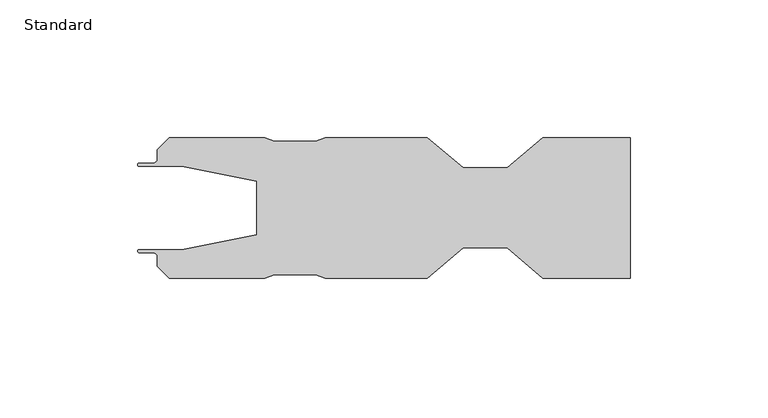
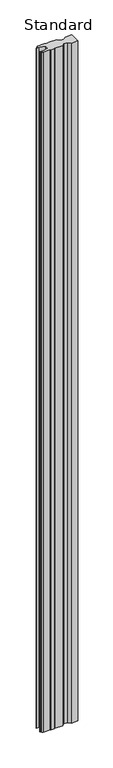
"""IFC4 building model written with IfcOpenShell, lengths in millimetres: plate geometry, Standard."""

from ifc_helpers import new_model, si_unit, point, frame_2d, origin, origin_with_axes, place, context, project, spatial, polyline, circle_curve, trimmed, segment, composite_curve, outline, extrude, source, transform, mapped, element, save


def standard_5d924c0f(model_context):
    return source(origin(), model_context, "Body", "SweptSolid", [
        extrude(outline(composite_curve([segment(polyline([(-73.3623022, 15.0999908), (-88.8499879, 15.0999908)]), True, "CONTINUOUS"), segment(trimmed(circle_curve(frame_2d((-88.8499879, 15.6750028)), 0.575012), [point((-88.8499879, 15.0999908))], [point((-88.8499879, 16.2500148))], False, "CARTESIAN"), True, "CONTINUOUS"), segment(polyline([(-88.8499879, 16.2500148), (-83.9492299, 16.2500148)]), True, "CONTINUOUS"), segment(trimmed(circle_curve(frame_2d((-83.9492299, 17.9000146)), 1.6499999), [point((-83.9492299, 16.2500148))], [point((-82.29923, 17.9000146))], True, "CARTESIAN"), True, "CONTINUOUS"), segment(polyline([(-82.29923, 17.9000146), (-82.29923, 21.1432805), (-77.9456595, 25.5), (-43.3110241, 25.5), (-39.7923378, 24.3000145), (-24.8071488, 24.3000145), (-21.2944454, 25.499989), (15.7011996, 25.499989), (28.7027951, 14.4999909), (44.7136608, 14.4999909), (57.6825839, 25.499989), (89.4249998, 25.499989), (89.4249998, -25.4982758), (57.6825839, -25.4982758), (44.7136608, -14.4982777), (28.7027951, -14.4982777), (15.7011996, -25.4982758), (-21.2944454, -25.4982758), (-24.8071488, -24.2983017), (-39.7923378, -24.2983017), (-43.3110241, -25.4982867), (-77.9456595, -25.4982867), (-82.29923, -21.1415672), (-82.29923, -17.899556)]), True, "CONTINUOUS"), segment(trimmed(circle_curve(frame_2d((-83.9492296, -17.8983016)), 1.6500001), [point((-82.29923, -17.899556))], [point((-83.9492296, -16.2483015))], True, "CARTESIAN"), True, "CONTINUOUS"), segment(polyline([(-83.9492296, -16.2483015), (-88.8695191, -16.2483015)]), True, "CONTINUOUS"), segment(trimmed(circle_curve(frame_2d((-88.8695191, -15.6732895)), 0.575012), [point((-88.8695191, -16.2483015))], [point((-88.8695191, -15.0982776))], False, "CARTESIAN"), True, "CONTINUOUS"), segment(polyline([(-88.8695191, -15.0982776), (-73.3623022, -15.0982776), (-46.3030652, -9.6816688), (-46.3030652, 9.6833816), (-73.3623022, 15.0999908)]), True, "CONTINUOUS")], self_intersect=False)), origin_with_axes(), (0.0, 0.0, 1.0), 3497.7),
    ])


if __name__ == "__main__":
    model = new_model("IFC4")
    model_context = context("Model", 3, world=origin())
    ifc_project = project(units=[si_unit("LENGTHUNIT", "METRE", prefix="MILLI")], contexts=[model_context])
    site = spatial("IfcSite", under=ifc_project)
    building = spatial("IfcBuilding", under=site)
    placement = place(None, origin())
    standard_shape = standard_5d924c0f(model_context)
    element("IfcPlate", 1, ObjectType="Standard", at=placement, inside=building, context=model_context, shape_type="MappedRepresentation", body=[
        mapped(standard_shape, transform((0.0, 0.0, 0.0), x_axis=(1.0, 0.0, 0.0), y_axis=(0.0, 1.0, 0.0), z_axis=(0.0, 0.0, 1.0))),
    ])
    save(model, "model.ifc")
